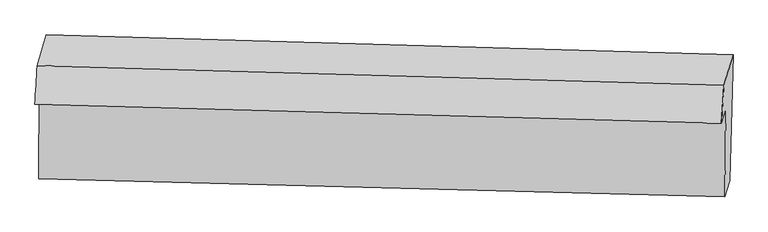
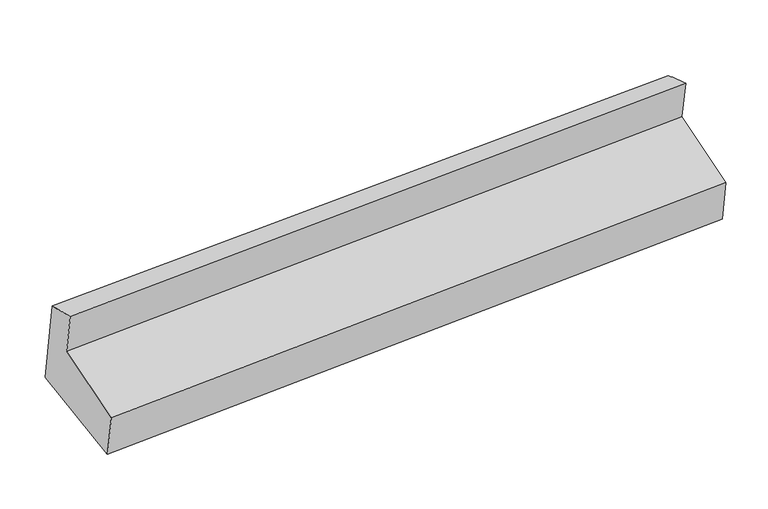
"""IFC4 building model written with IfcOpenShell, lengths in millimetres: proxy geometry."""

from ifc_helpers import new_model, si_unit, frame, origin, place, context, project, spatial, source, transform, mapped, element, save
from ifc_brep_helpers import plane_surface, spline_surface, advanced_brep


def generic_models_7bf8173d(model_context):
    return source(origin(), model_context, "Body", "AdvancedBrep", [
        advanced_brep(
        [(-5245.1405817, -935.6401879, 1367.4604126), (-5310.9785639, -1152.2901649, 2126.3555638), (-449.611375, -1291.0012384, 2466.7617855), (-384.604727, -1077.0868942, 1717.4491808), (-5267.3160924, -1841.7502843, 1270.1534811), (-408.2387542, -1969.4422756, 1644.8137013), (-5301.1045816, -1952.9364895, 1659.6235062), (-442.0272434, -2080.6284808, 2034.2837263), (-5294.3944169, -1321.0076452, 1840.609184), (-435.4191547, -1458.3126268, 2212.5162246), (-5326.601134, -1426.9887869, 2211.8465857), (-466.7945376, -1561.5581357, 2574.1710798)],
        [
            (0, 1),
            (1, 2),
            (2, 3),
            (3, 0),
            (4, 0),
            (3, 5),
            (5, 4),
            (6, 4),
            (5, 7),
            (7, 6),
            (8, 6),
            (7, 9),
            (9, 8),
            (10, 8),
            (9, 11),
            (11, 10),
            (1, 10),
            (11, 2),
        ],
        [
            plane_surface(frame((-5278.0595728, -1043.9651764, 1746.9079882), z_axis=(0.008163534828774806, 0.9613640230398536, 0.27515917557611536), x_axis=(-0.08313342395784735, -0.27356328022502013, 0.9582546454536873))),
            spline_surface(1, 1, [[(-5267.3160924, -1841.7502843, 1270.1534811), (-408.2387542, -1969.4422756, 1644.8137013)], [(-5245.1405817, -935.6401879, 1367.4604126), (-384.604727, -1077.0868942, 1717.4491808)]], [2, 2], [2, 2], [0.0, 1.0], [0.0, 1.0]),
            plane_surface(frame((-5284.210337, -1897.3433869, 1464.8884937), z_axis=(-0.0040753853009869445, -0.9614818679022051, -0.2748381504266381), x_axis=(0.08313342395784741, 0.2735632802250202, -0.9582546454536873))),
            plane_surface(frame((-5297.7494992, -1636.9720673, 1750.1163451), z_axis=(-0.08108920859191544, -0.27362971816195814, 0.9584108292316738), x_axis=(-0.010207596772480669, -0.9612990319695877, -0.2753179545588412))),
            plane_surface(frame((-5310.4977754, -1373.998216, 2026.2278848), z_axis=(-0.006119455737545347, -0.9614249685560908, -0.2749992401778527), x_axis=(0.08313342395784758, 0.27356328022502013, -0.9582546454536873))),
            spline_surface(1, 1, [[(-5310.9785639, -1152.2901649, 2126.3555638), (-449.611375, -1291.0012384, 2466.7617855)], [(-5326.601134, -1426.9887869, 2211.8465857), (-466.7945376, -1561.5581357, 2574.1710798)]], [2, 2], [2, 2], [0.0, 1.0], [0.0, 1.0]),
            plane_surface(frame((-431.1159653, -1573.0049419, 2108.3326164), z_axis=(0.9964861458089498, -0.03266960126569518, 0.07712365631870191), x_axis=(-0.010207596772480669, -0.9612990319695877, -0.2753179545588412))),
            plane_surface(frame((-5290.9225617, -1438.4355931, 1746.0081222), z_axis=(-0.9964861458089496, 0.03266960126569562, -0.07712365631870267), x_axis=(0.08313342395784827, 0.27356328022501997, -0.9582546454536872))),
        ],
        [
            (0, [[1, 2, 3, 4]]),
            (1, [[5, -4, 6, 7]]),
            (2, [[8, -7, 9, 10]]),
            (3, [[11, -10, 12, 13]]),
            (4, [[14, -13, 15, 16]]),
            (5, [[17, -16, 18, -2]]),
            (6, [[-12, -9, -6, -3, -18, -15]]),
            (7, [[-1, -5, -8, -11, -14, -17]]),
        ],
    ),
    ])


if __name__ == "__main__":
    model = new_model("IFC4")
    model_context = context("Model", 3, world=origin())
    ifc_project = project(units=[si_unit("LENGTHUNIT", "METRE", prefix="MILLI")], contexts=[model_context])
    site = spatial("IfcSite", under=ifc_project)
    building = spatial("IfcBuilding", under=site)
    placement = place(None, origin())
    generic_models_shape = generic_models_7bf8173d(model_context)
    element("IfcBuildingElementProxy", 1, Name="Generic Models", at=placement, inside=building, context=model_context, shape_type="MappedRepresentation", body=[
        mapped(generic_models_shape, transform((0.0, 0.0, 0.0), x_axis=(1.0, 0.0, 0.0), y_axis=(0.0, 1.0, 0.0), z_axis=(0.0, 0.0, 1.0))),
    ])
    save(model, "model.ifc")
